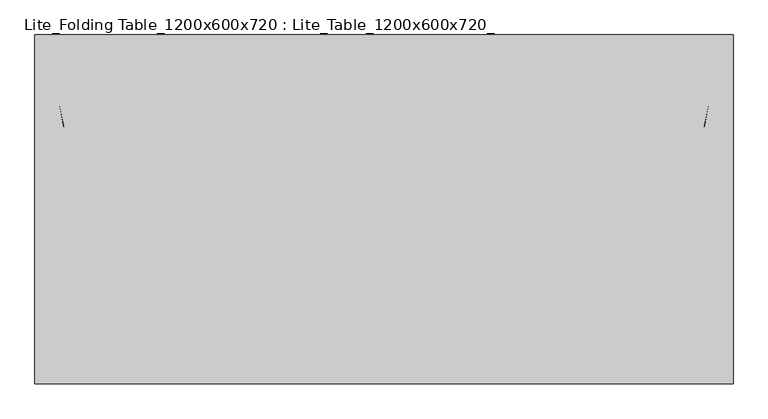
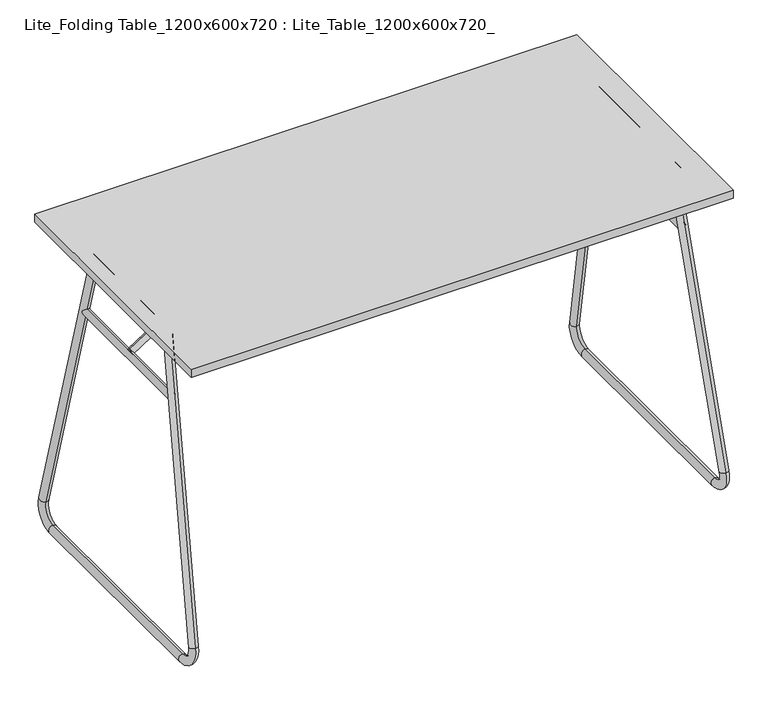
"""IFC4 building model written with IfcOpenShell, lengths in millimetres: furniture geometry, Lite_Folding Table_1200x600x720 : Lite_Table_1200x600x720_."""

from ifc_helpers import new_model, si_unit, point, frame, frame_2d, origin, origin_2d, place, context, project, spatial, polyline, circle_curve, ellipse_curve, trimmed, segment, composite_curve, outline, extrude, source, transform, mapped, element, save
from ifc_brep_helpers import plane_surface, cylinder_surface, revolved_surface, advanced_brep


def lite_folding_table_1200x600x720_lite_table_1200x600x720_ef952369(model_context):
    return source(origin(), model_context, "Body", "SolidModel", [
        extrude(outline(composite_curve([segment(trimmed(circle_curve(frame_2d((683.5970821, 539.9999787)), 5.1499945), [point((683.5970821, 534.8499842))], [point((683.5970821, 545.1499732))], False, "CARTESIAN"), True, "CONTINUOUS"), segment(trimmed(circle_curve(frame_2d((683.5970821, 539.9999787)), 5.1499945), [point((683.5970821, 545.1499732))], [point((683.5970821, 534.8499842))], False, "CARTESIAN"), True, "CONTINUOUS")], self_intersect=False)), frame((0.0, -129.0243159, 0.0), z_axis=(0.0, 1.0, 0.0), x_axis=(0.0, 0.0, 1.0)), (0.0, 0.0, 1.0), 5.0243175),
        extrude(outline(composite_curve([segment(trimmed(circle_curve(frame_2d((683.5970821, 539.9999787)), 5.1499945), [point((683.5970821, 534.8499842))], [point((683.5970821, 545.1499732))], False, "CARTESIAN"), True, "CONTINUOUS"), segment(trimmed(circle_curve(frame_2d((683.5970821, 539.9999787)), 5.1499945), [point((683.5970821, 545.1499732))], [point((683.5970821, 534.8499842))], False, "CARTESIAN"), True, "CONTINUOUS")], self_intersect=False)), frame((0.0, 123.9999984, 0.0), z_axis=(0.0, 1.0, 0.0), x_axis=(0.0, 0.0, 1.0)), (0.0, 0.0, 1.0), 5.0243175),
        extrude(outline(composite_curve([segment(polyline([(693.5970531, 560.4687469), (693.5970531, 539.9999969)]), True, "CONTINUOUS"), segment(trimmed(circle_curve(frame_2d((683.6032496, 539.9999969)), 9.9938036), [point((693.5970531, 539.9999969))], [point((673.609446, 539.9999969))], False, "CARTESIAN"), True, "CONTINUOUS"), segment(polyline([(673.609446, 539.9999969), (673.609446, 560.4687469)]), True, "CONTINUOUS"), segment(trimmed(circle_curve(frame_2d((683.6032496, 560.4687469)), 9.9938036), [point((673.609446, 560.4687469))], [point((693.5970531, 560.4687469))], False, "CARTESIAN"), True, "CONTINUOUS")], self_intersect=False)), frame((0.0, 129.0243159, 0.0), z_axis=(0.0, 1.0, 0.0), x_axis=(0.0, 0.0, 1.0)), (0.0, 0.0, 1.0), 2.9756848),
        extrude(outline(composite_curve([segment(polyline([(693.5970531, 560.4687469), (693.5970531, 539.9999969)]), True, "CONTINUOUS"), segment(trimmed(circle_curve(frame_2d((683.6032496, 539.9999969)), 9.9938036), [point((693.5970531, 539.9999969))], [point((673.609446, 539.9999969))], False, "CARTESIAN"), True, "CONTINUOUS"), segment(polyline([(673.609446, 539.9999969), (673.609446, 560.4687469)]), True, "CONTINUOUS"), segment(trimmed(circle_curve(frame_2d((683.6032496, 560.4687469)), 9.9938036), [point((673.609446, 560.4687469))], [point((693.5970531, 560.4687469))], False, "CARTESIAN"), True, "CONTINUOUS")], self_intersect=False)), frame((0.0, -132.0000006, 0.0), z_axis=(0.0, 1.0, 0.0), x_axis=(0.0, 0.0, 1.0)), (0.0, 0.0, 1.0), 2.9756848),
        advanced_brep(
        [(559.4103833, 150.3030071, 692.2272476), (559.6004968, 131.7833462, 687.9558758), (559.4092398, -149.3851362, 692.2529396), (559.5999996, -130.868837, 687.9670469), (587.7618245, 278.0015315, 55.2417366), (587.571711, 296.5211925, 59.5131085), (590.2204021, 249.1383979, 0.0036876), (589.3752694, 249.1383979, 18.9916931), (589.3752694, -248.7501839, 18.9916931), (590.2204021, -248.7501839, 0.0036876), (587.5700575, -296.1243775, 59.5502601), (587.7608173, -277.6080782, 55.2643674)],
        [
            (0, 1, circle_curve(frame((559.5054401, 141.0431767, 690.0915617), z_axis=(-0.043325119547153394, -0.22495105434386328, 0.9734063679501019), x_axis=(0.010002391980149997, -0.9743700647852357, -0.22472856739874253)), 9.5034021)),
            (1, 0, circle_curve(frame((559.5054401, 141.0431767, 690.0915617), z_axis=(-0.043325119547153394, -0.22495105434386328, 0.9734063679501019), x_axis=(0.010002391980149997, -0.9743700647852357, -0.22472856739874253)), 9.5034021)),
            (2, 3, circle_curve(frame((559.5046197, -140.1269866, 690.1099932), z_axis=(-0.04331725511858302, 0.22571578806152526, 0.9732296740383312), x_axis=(0.01003639567231674, 0.9741931959420393, -0.22549254475956426)), 9.5034021)),
            (3, 2, circle_curve(frame((559.5046197, -140.1269866, 690.1099932), z_axis=(-0.04331725511858302, 0.22571578806152526, 0.9732296740383312), x_axis=(0.01003639567231674, 0.9741931959420393, -0.22549254475956426)), 9.5034021)),
            (1, 4),
            (4, 5, circle_curve(frame((587.6667678, 287.261362, 57.3774225), z_axis=(-0.043325119547153394, -0.22495105434386328, 0.9734063679501019), x_axis=(0.010002391980149997, -0.9743700647852357, -0.22472856739874253)), 9.5034021)),
            (5, 0),
            (5, 4, circle_curve(frame((587.6667678, 287.261362, 57.3774225), z_axis=(-0.043325119547153394, -0.22495105434386328, 0.9734063679501019), x_axis=(0.010002391980149997, -0.9743700647852357, -0.22472856739874253)), 9.5034021)),
            (6, 5, circle_curve(frame((588.0581189, 249.1383979, 48.5847478), z_axis=(0.9990109539794347, 0.0, 0.04446474816188329), x_axis=(-0.010002391980150285, 0.9743700647852341, 0.22472856739874889)), 48.6291567)),
            (4, 7, circle_curve(frame((588.0581189, 249.1383979, 48.5847478), z_axis=(-0.9990109539794347, 0.0, -0.04446474816188329), x_axis=(-0.010002391980150285, 0.9743700647852341, 0.22472856739874889)), 29.6223525)),
            (7, 6, circle_curve(frame((589.7978357, 249.1383979, 9.4976904), z_axis=(0.0, 1.0, 0.0), x_axis=(-0.04446474816188329, 0.0, 0.9990109539794346)), 9.5034021)),
            (6, 7, circle_curve(frame((589.7978357, 249.1383979, 9.4976904), z_axis=(0.0, 0.9999999999999999, 0.0), x_axis=(-0.04446474816188329, 0.0, 0.9990109539794347)), 9.5034021)),
            (7, 8),
            (8, 9, circle_curve(frame((589.7978357, -248.7501839, 9.4976904), z_axis=(0.0, 1.0, 0.0), x_axis=(-0.04446474816188329, 0.0, 0.9990109539794347)), 9.5034021)),
            (9, 6),
            (9, 8, circle_curve(frame((589.7978357, -248.7501839, 9.4976904), z_axis=(0.0, 1.0, 0.0), x_axis=(-0.04446474816188329, 0.0, 0.9990109539794347)), 9.5034021)),
            (10, 9, circle_curve(frame((588.0581189, -248.7501839, 48.5847478), z_axis=(0.9990109539794347, 0.0, 0.04446474816188329), x_axis=(0.04446474816188329, 0.0, -0.9990109539794347)), 48.6291567)),
            (8, 11, circle_curve(frame((588.0581189, -248.7501839, 48.5847478), z_axis=(-0.9990109539794347, 0.0, -0.04446474816188329), x_axis=(0.04446474816188329, 0.0, -0.9990109539794347)), 29.6223525)),
            (11, 10, circle_curve(frame((587.6654374, -286.8662278, 57.4073137), z_axis=(0.04331725511858308, -0.22571578806151887, -0.9732296740383326), x_axis=(0.01003639567231646, 0.9741931959420408, -0.22549254475955785)), 9.5034021)),
            (10, 11, circle_curve(frame((587.6654374, -286.8662278, 57.4073137), z_axis=(0.04331725511858308, -0.2257157880615193, -0.9732296740383325), x_axis=(0.010036395672316477, 0.9741931959420407, -0.22549254475955827)), 9.5034021)),
            (11, 3),
            (2, 10),
        ],
        [
            plane_surface(frame((-29.3519177, 117.5357636, 658.4497585), z_axis=(-0.043325119547153394, -0.22495105434386328, 0.9734063679501019), x_axis=(-0.9990109539794347, 0.0, -0.044464748161883276))),
            plane_surface(frame((-29.3519177, -116.6238406, 658.4497585), z_axis=(-0.04331725511858299, 0.22571578806152534, 0.9732296740383312), x_axis=(-0.9990109539794347, 0.0, -0.044464748161883276))),
            cylinder_surface(frame((559.5054401, 141.0431767, 690.0915617), z_axis=(-0.043325119547153394, -0.22495105434386328, 0.9734063679501019), x_axis=(0.010002391980149997, -0.9743700647852357, -0.22472856739874253)), 9.5034021),
            revolved_surface(trimmed(ellipse_curve(frame((587.6667678, 287.261362, 57.3774225), z_axis=(-0.04332511954715333, -0.22495105434386972, 0.9734063679501004), x_axis=(0.010002391980150283, -0.9743700647852341, -0.22472856739874897)), 9.5034021, 9.5034021), [point((587.7618245, 278.0015315, 55.2417366))], [point((587.571711, 296.5211925, 59.5131085))], True, "CARTESIAN"), (-1.0405542, 249.1383979, 22.3646908), (-0.9990109539794347, 0.0, -0.04446474816188329)),
            revolved_surface(trimmed(ellipse_curve(frame((587.6667678, 287.261362, 57.3774225), z_axis=(-0.04332511954715333, -0.22495105434386972, 0.9734063679501004), x_axis=(0.010002391980150283, -0.9743700647852341, -0.22472856739874897)), 9.5034021, 9.5034021), [point((587.571711, 296.5211925, 59.5131085))], [point((587.7618245, 278.0015315, 55.2417366))], True, "CARTESIAN"), (-1.0405542, 249.1383979, 22.3646908), (-0.9990109539794347, 0.0, -0.04446474816188329)),
            cylinder_surface(frame((589.7978357, 249.1383979, 9.4976904), z_axis=(0.0, 1.0, 0.0), x_axis=(-0.04446474816188329, 0.0, 0.9990109539794347)), 9.5034021),
            revolved_surface(trimmed(ellipse_curve(frame((589.7978357, -248.7501839, 9.4976904), z_axis=(0.0, 1.0, 0.0), x_axis=(-0.04446474816188329, 0.0, 0.9990109539794347)), 9.5034021, 9.5034021), [point((589.3752694, -248.7501839, 18.9916931))], [point((590.2204021, -248.7501839, 0.0036876))], True, "CARTESIAN"), (-1.0405542, -248.7501839, 22.3646908), (-0.9990109539794347, 0.0, -0.04446474816188329)),
            revolved_surface(trimmed(ellipse_curve(frame((589.7978357, -248.7501839, 9.4976904), z_axis=(0.0, 1.0, 0.0), x_axis=(-0.04446474816188329, 0.0, 0.9990109539794347)), 9.5034021, 9.5034021), [point((590.2204021, -248.7501839, 0.0036876))], [point((589.3752694, -248.7501839, 18.9916931))], True, "CARTESIAN"), (-1.0405542, -248.7501839, 22.3646908), (-0.9990109539794347, 0.0, -0.04446474816188329)),
            cylinder_surface(frame((587.6654374, -286.8662278, 57.4073137), z_axis=(0.04331725511858302, -0.22571578806152526, -0.9732296740383312), x_axis=(0.01003639567231674, 0.9741931959420393, -0.22549254475956426)), 9.5034021),
        ],
        [
            (0, [[1, 2]]),
            (1, [[3, 4]]),
            (2, [[-2, 5, 6, 7]]),
            (2, [[-1, -7, 8, -5]]),
            (3, [[9, -6, 10, 11]]),
            (4, [[-10, -8, -9, 12]]),
            (5, [[-11, 13, 14, 15]]),
            (5, [[-12, -15, 16, -13]]),
            (6, [[17, -14, 18, 19]]),
            (7, [[-18, -16, -17, 20]]),
            (8, [[-19, 21, -3, 22]]),
            (8, [[-20, -22, -4, -21]]),
        ],
    ),
        advanced_brep(
        [(-559.6004968, 131.7833462, 687.9558758), (-559.4103833, 150.3030071, 692.2272476), (-559.5999996, -130.868837, 687.9670469), (-559.4092398, -149.3851362, 692.2529396), (-587.7618245, 278.0015315, 55.2417366), (-587.571711, 296.5211925, 59.5131085), (-590.2204021, 249.1383979, 0.0036876), (-589.3752694, 249.1383979, 18.9916931), (-589.3752694, -248.7501839, 18.9916931), (-590.2204021, -248.7501839, 0.0036876), (-587.5700575, -296.1243775, 59.5502601), (-587.7608173, -277.6080782, 55.2643674)],
        [
            (0, 1, circle_curve(frame((-559.5054401, 141.0431767, 690.0915617), z_axis=(0.043325119547153394, -0.22495105434386325, 0.9734063679501019), x_axis=(0.01000239198014999, 0.9743700647852357, 0.2247285673987425)), 9.5034021)),
            (1, 0, circle_curve(frame((-559.5054401, 141.0431767, 690.0915617), z_axis=(0.043325119547153394, -0.22495105434386325, 0.9734063679501019), x_axis=(0.01000239198014999, 0.9743700647852357, 0.2247285673987425)), 9.5034021)),
            (2, 3, circle_curve(frame((-559.5046197, -140.1269866, 690.1099932), z_axis=(0.04331725511858301, 0.2257157880615253, 0.9732296740383312), x_axis=(0.010036395672316735, -0.9741931959420393, 0.22549254475956432)), 9.5034021)),
            (3, 2, circle_curve(frame((-559.5046197, -140.1269866, 690.1099932), z_axis=(0.04331725511858301, 0.2257157880615253, 0.9732296740383312), x_axis=(0.010036395672316735, -0.9741931959420393, 0.22549254475956432)), 9.5034021)),
            (0, 4),
            (4, 5, circle_curve(frame((-587.6667678, 287.261362, 57.3774225), z_axis=(0.043325119547153394, -0.22495105434386325, 0.9734063679501019), x_axis=(0.01000239198014999, 0.9743700647852357, 0.2247285673987425)), 9.5034021)),
            (5, 1),
            (5, 4, circle_curve(frame((-587.6667678, 287.261362, 57.3774225), z_axis=(0.043325119547153394, -0.22495105434386325, 0.9734063679501019), x_axis=(0.01000239198014999, 0.9743700647852357, 0.2247285673987425)), 9.5034021)),
            (6, 5, circle_curve(frame((-588.0581189, 249.1383979, 48.5847478), z_axis=(0.9990109539794347, 0.0, -0.04446474816188329), x_axis=(0.010002391980150285, 0.9743700647852341, 0.22472856739874889)), 48.6291567)),
            (4, 7, circle_curve(frame((-588.0581189, 249.1383979, 48.5847478), z_axis=(-0.9990109539794347, 0.0, 0.04446474816188329), x_axis=(0.010002391980150285, 0.9743700647852341, 0.22472856739874889)), 29.6223525)),
            (7, 6, circle_curve(frame((-589.7978357, 249.1383979, 9.4976904), z_axis=(0.0, 1.0, 0.0), x_axis=(-0.0444647481618833, 0.0, -0.9990109539794347)), 9.5034021)),
            (6, 7, circle_curve(frame((-589.7978357, 249.1383979, 9.4976904), z_axis=(0.0, 1.0, 0.0), x_axis=(-0.0444647481618833, 0.0, -0.9990109539794347)), 9.5034021)),
            (7, 8),
            (8, 9, circle_curve(frame((-589.7978357, -248.7501839, 9.4976904), z_axis=(0.0, 1.0, 0.0), x_axis=(-0.0444647481618833, 0.0, -0.9990109539794347)), 9.5034021)),
            (9, 6),
            (9, 8, circle_curve(frame((-589.7978357, -248.7501839, 9.4976904), z_axis=(0.0, 1.0, 0.0), x_axis=(-0.0444647481618833, 0.0, -0.9990109539794347)), 9.5034021)),
            (10, 9, circle_curve(frame((-588.0581189, -248.7501839, 48.5847478), z_axis=(0.9990109539794347, 0.0, -0.04446474816188329), x_axis=(-0.04446474816188329, 0.0, -0.9990109539794347)), 48.6291567)),
            (8, 11, circle_curve(frame((-588.0581189, -248.7501839, 48.5847478), z_axis=(-0.9990109539794347, 0.0, 0.04446474816188329), x_axis=(-0.04446474816188329, 0.0, -0.9990109539794347)), 29.6223525)),
            (11, 10, circle_curve(frame((-587.6654374, -286.8662278, 57.4073137), z_axis=(-0.043317255118583066, -0.2257157880615202, -0.9732296740383324), x_axis=(0.010036395672316512, -0.9741931959420406, 0.22549254475955918)), 9.5034021)),
            (10, 11, circle_curve(frame((-587.6654374, -286.8662278, 57.4073137), z_axis=(-0.04331725511858307, -0.2257157880615198, -0.9732296740383325), x_axis=(0.010036395672316492, -0.9741931959420407, 0.22549254475955877)), 9.5034021)),
            (11, 2),
            (3, 10),
        ],
        [
            plane_surface(frame((29.3519177, 117.5357636, 658.4497585), z_axis=(0.043325119547153394, -0.22495105434386325, 0.9734063679501019), x_axis=(0.9990109539794347, 0.0, -0.044464748161883276))),
            plane_surface(frame((29.3519177, -116.6238406, 658.4497585), z_axis=(0.043317255118583, 0.22571578806152534, 0.9732296740383312), x_axis=(0.9990109539794347, 0.0, -0.04446474816188328))),
            cylinder_surface(frame((-559.5054401, 141.0431767, 690.0915617), z_axis=(0.043325119547153394, -0.22495105434386325, 0.9734063679501019), x_axis=(0.01000239198014999, 0.9743700647852357, 0.2247285673987425)), 9.5034021),
            revolved_surface(trimmed(ellipse_curve(frame((-587.6667678, 287.261362, 57.3774225), z_axis=(0.04332511954715334, -0.22495105434386967, 0.9734063679501004), x_axis=(0.010002391980150275, 0.9743700647852341, 0.2247285673987489)), 9.5034021, 9.5034021), [point((-587.7618245, 278.0015315, 55.2417366))], [point((-587.571711, 296.5211925, 59.5131085))], True, "CARTESIAN"), (1.0405542, 249.1383979, 22.3646908), (-0.9990109539794347, 0.0, 0.04446474816188329)),
            revolved_surface(trimmed(ellipse_curve(frame((-587.6667678, 287.261362, 57.3774225), z_axis=(0.04332511954715334, -0.22495105434386967, 0.9734063679501004), x_axis=(0.010002391980150275, 0.9743700647852341, 0.2247285673987489)), 9.5034021, 9.5034021), [point((-587.571711, 296.5211925, 59.5131085))], [point((-587.7618245, 278.0015315, 55.2417366))], True, "CARTESIAN"), (1.0405542, 249.1383979, 22.3646908), (-0.9990109539794347, 0.0, 0.04446474816188329)),
            cylinder_surface(frame((-589.7978357, 249.1383979, 9.4976904), z_axis=(0.0, 1.0, 0.0), x_axis=(-0.0444647481618833, 0.0, -0.9990109539794347)), 9.5034021),
            revolved_surface(trimmed(ellipse_curve(frame((-589.7978357, -248.7501839, 9.4976904), z_axis=(0.0, 1.0, 0.0), x_axis=(-0.0444647481618833, 0.0, -0.9990109539794347)), 9.5034021, 9.5034021), [point((-589.3752694, -248.7501839, 18.9916931))], [point((-590.2204021, -248.7501839, 0.0036876))], True, "CARTESIAN"), (1.0405542, -248.7501839, 22.3646908), (-0.9990109539794347, 0.0, 0.04446474816188329)),
            revolved_surface(trimmed(ellipse_curve(frame((-589.7978357, -248.7501839, 9.4976904), z_axis=(0.0, 1.0, 0.0), x_axis=(-0.0444647481618833, 0.0, -0.9990109539794347)), 9.5034021, 9.5034021), [point((-590.2204021, -248.7501839, 0.0036876))], [point((-589.3752694, -248.7501839, 18.9916931))], True, "CARTESIAN"), (1.0405542, -248.7501839, 22.3646908), (-0.9990109539794347, 0.0, 0.04446474816188329)),
            cylinder_surface(frame((-587.6654374, -286.8662278, 57.4073137), z_axis=(-0.04331725511858301, -0.2257157880615253, -0.9732296740383312), x_axis=(0.010036395672316735, -0.9741931959420393, 0.22549254475956432)), 9.5034021),
        ],
        [
            (0, [[1, 2]]),
            (1, [[3, 4]]),
            (2, [[-1, 5, 6, 7]]),
            (2, [[-2, -7, 8, -5]]),
            (3, [[9, -6, 10, 11]]),
            (4, [[-10, -8, -9, 12]]),
            (5, [[-11, 13, 14, 15]]),
            (5, [[-12, -15, 16, -13]]),
            (6, [[17, -14, 18, 19]]),
            (7, [[-18, -16, -17, 20]]),
            (8, [[-19, 21, -4, 22]]),
            (8, [[-20, -22, -3, -21]]),
        ],
    ),
        extrude(outline(composite_curve([segment(trimmed(circle_curve(origin_2d(), 7.0043551), [point((0.0, -7.0043551))], [point((0.0, 7.0043551))], False, "CARTESIAN"), True, "CONTINUOUS"), segment(trimmed(circle_curve(origin_2d(), 7.0043551), [point((0.0, 7.0043551))], [point((0.0, -7.0043551))], False, "CARTESIAN"), True, "CONTINUOUS")], self_intersect=False)), frame((-562.6007744, 0.0, 565.7164093), z_axis=(0.839186384163062, 0.0, 0.5438439230471604), x_axis=(0.0, -1.0, 0.0)), (0.0, 0.0, 1.0), 248.7544404),
        extrude(outline(composite_curve([segment(trimmed(circle_curve(origin_2d(), 7.0043551), [point((0.0, -7.0043552))], [point((0.0, 7.0043551))], False, "CARTESIAN"), True, "CONTINUOUS"), segment(trimmed(circle_curve(origin_2d(), 7.0043551), [point((0.0, 7.0043551))], [point((0.0, -7.0043552))], False, "CARTESIAN"), True, "CONTINUOUS")], self_intersect=False)), frame((562.4356538, 0.0, 565.7164093), z_axis=(-0.8391863841630642, 0.0, 0.5438439230471569), x_axis=(0.0, -1.0, 0.0)), (0.0, 0.0, 1.0), 248.7544404),
        extrude(outline(composite_curve([segment(trimmed(circle_curve(frame_2d((563.7575029, -565.7575487)), 7.9724387), [point((571.7299417, -565.7575487))], [point((555.7850642, -565.7575487))], False, "CARTESIAN"), True, "CONTINUOUS"), segment(trimmed(circle_curve(frame_2d((563.7575029, -565.7575487)), 7.9724387), [point((555.7850642, -565.7575487))], [point((571.7299417, -565.7575487))], False, "CARTESIAN"), True, "CONTINUOUS")], self_intersect=False)), frame((0.0, -166.9999991, 0.0), z_axis=(0.0, 1.0, 0.0), x_axis=(0.0, 0.0, 1.0)), (0.0, 0.0, 1.0), 333.9999982),
        extrude(outline(composite_curve([segment(trimmed(circle_curve(frame_2d((563.7575029, 565.7575487)), 7.9724387), [point((571.7299417, 565.7575487))], [point((555.7850642, 565.7575487))], False, "CARTESIAN"), True, "CONTINUOUS"), segment(trimmed(circle_curve(frame_2d((563.7575029, 565.7575487)), 7.9724387), [point((555.7850642, 565.7575487))], [point((571.7299417, 565.7575487))], False, "CARTESIAN"), True, "CONTINUOUS")], self_intersect=False)), frame((0.0, -166.9999991, 0.0), z_axis=(0.0, 1.0, 0.0), x_axis=(0.0, 0.0, 1.0)), (0.0, 0.0, 1.0), 333.9999982),
        extrude(outline(composite_curve([segment(trimmed(circle_curve(frame_2d((691.0344114, -559.8994077)), 9.9655886), [point((701.0, -559.8994077))], [point((681.0688229, -559.8994077))], False, "CARTESIAN"), True, "CONTINUOUS"), segment(trimmed(circle_curve(frame_2d((691.0344114, -559.8994077)), 9.9655886), [point((681.0688229, -559.8994077))], [point((701.0, -559.8994077))], False, "CARTESIAN"), True, "CONTINUOUS")], self_intersect=False)), frame((0.0, -154.499999, 0.0), z_axis=(0.0, 1.0, 0.0), x_axis=(0.0, 0.0, 1.0)), (0.0, 0.0, 1.0), 310.4999973),
        extrude(outline(composite_curve([segment(trimmed(circle_curve(frame_2d((691.0344114, 559.5869077)), 9.9655886), [point((701.0, 559.5869077))], [point((681.0688229, 559.5869077))], False, "CARTESIAN"), True, "CONTINUOUS"), segment(trimmed(circle_curve(frame_2d((691.0344114, 559.5869077)), 9.9655886), [point((681.0688229, 559.5869077))], [point((701.0, 559.5869077))], False, "CARTESIAN"), True, "CONTINUOUS")], self_intersect=False)), frame((0.0, -154.499999, 0.0), z_axis=(0.0, 1.0, 0.0), x_axis=(0.0, 0.0, 1.0)), (0.0, 0.0, 1.0), 310.4999973),
        extrude(outline(polyline([(600.0, 300.0), (600.0, -300.0), (-600.0, -300.0), (-600.0, 300.0), (600.0, 300.0)])), frame((0.0, 0.0, 701.0), z_axis=(0.0, 0.0, 1.0), x_axis=(1.0, 0.0, 0.0)), (0.0, 0.0, 1.0), 19.0),
    ])


if __name__ == "__main__":
    model = new_model("IFC4")
    model_context = context("Model", 3, world=origin())
    ifc_project = project(units=[si_unit("LENGTHUNIT", "METRE", prefix="MILLI")], contexts=[model_context])
    site = spatial("IfcSite", under=ifc_project)
    building = spatial("IfcBuilding", under=site)
    placement = place(None, origin())
    lite_folding_table_1200x600x720_lite_table_1200x600x720_shape = lite_folding_table_1200x600x720_lite_table_1200x600x720_ef952369(model_context)
    element("IfcFurniture", 1, ObjectType="Lite_Folding Table_1200x600x720 : Lite_Table_1200x600x720_", at=placement, inside=building, context=model_context, shape_type="MappedRepresentation", body=[
        mapped(lite_folding_table_1200x600x720_lite_table_1200x600x720_shape, transform((0.0, 0.0, 0.0), x_axis=(1.0, 0.0, 0.0), y_axis=(0.0, 1.0, 0.0), z_axis=(0.0, 0.0, 1.0))),
    ])
    save(model, "model.ifc")
